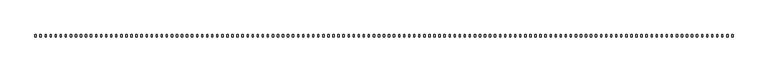
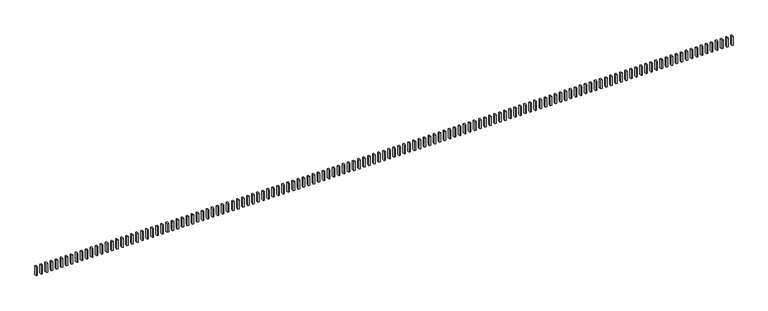
"""IFC4 building model written with IfcOpenShell, lengths in millimetres: railing geometry."""

from ifc_helpers import new_model, si_unit, frame, origin, place, context, project, spatial, polyline, outline, extrude, source, transform, mapped, element, save


def railing_47bb21a4(model_context):
    return source(origin(), model_context, "Body", "SweptSolid", [
        extrude(outline(polyline([(13406.8631266, -7586.7880996), (13436.8631266, -7586.7880996), (13436.8631266, -7639.1640045), (13406.8631266, -7639.1640045), (13406.8631266, -7586.7880996)])), frame((0.0, 0.0, 3043.3946717), z_axis=(0.0, 0.0, 1.0), x_axis=(1.0, 0.0, 0.0)), (0.0, 0.0, 1.0), 223.0),
        extrude(outline(polyline([(13286.8631266, -7586.7880996), (13316.8631266, -7586.7880996), (13316.8631266, -7639.1640045), (13286.8631266, -7639.1640045), (13286.8631266, -7586.7880996)])), frame((0.0, 0.0, 3043.3946717), z_axis=(0.0, 0.0, 1.0), x_axis=(1.0, 0.0, 0.0)), (0.0, 0.0, 1.0), 223.0),
        extrude(outline(polyline([(13166.8631266, -7586.7880996), (13196.8631266, -7586.7880996), (13196.8631266, -7639.1640045), (13166.8631266, -7639.1640045), (13166.8631266, -7586.7880996)])), frame((0.0, 0.0, 3043.3946717), z_axis=(0.0, 0.0, 1.0), x_axis=(1.0, 0.0, 0.0)), (0.0, 0.0, 1.0), 223.0),
        extrude(outline(polyline([(13046.8631266, -7586.7880996), (13076.8631266, -7586.7880996), (13076.8631266, -7639.1640045), (13046.8631266, -7639.1640045), (13046.8631266, -7586.7880996)])), frame((0.0, 0.0, 3043.3946717), z_axis=(0.0, 0.0, 1.0), x_axis=(1.0, 0.0, 0.0)), (0.0, 0.0, 1.0), 223.0),
        extrude(outline(polyline([(12926.8631266, -7586.7880996), (12956.8631266, -7586.7880996), (12956.8631266, -7639.1640045), (12926.8631266, -7639.1640045), (12926.8631266, -7586.7880996)])), frame((0.0, 0.0, 3043.3946717), z_axis=(0.0, 0.0, 1.0), x_axis=(1.0, 0.0, 0.0)), (0.0, 0.0, 1.0), 223.0),
        extrude(outline(polyline([(12806.8631266, -7586.7880996), (12836.8631266, -7586.7880996), (12836.8631266, -7639.1640045), (12806.8631266, -7639.1640045), (12806.8631266, -7586.7880996)])), frame((0.0, 0.0, 3043.3946717), z_axis=(0.0, 0.0, 1.0), x_axis=(1.0, 0.0, 0.0)), (0.0, 0.0, 1.0), 223.0),
        extrude(outline(polyline([(12686.8631266, -7586.7880996), (12716.8631266, -7586.7880996), (12716.8631266, -7639.1640045), (12686.8631266, -7639.1640045), (12686.8631266, -7586.7880996)])), frame((0.0, 0.0, 3043.3946717), z_axis=(0.0, 0.0, 1.0), x_axis=(1.0, 0.0, 0.0)), (0.0, 0.0, 1.0), 223.0),
        extrude(outline(polyline([(12566.8631266, -7586.7880996), (12596.8631266, -7586.7880996), (12596.8631266, -7639.1640045), (12566.8631266, -7639.1640045), (12566.8631266, -7586.7880996)])), frame((0.0, 0.0, 3043.3946717), z_axis=(0.0, 0.0, 1.0), x_axis=(1.0, 0.0, 0.0)), (0.0, 0.0, 1.0), 223.0),
        extrude(outline(polyline([(12446.8631266, -7586.7880996), (12476.8631266, -7586.7880996), (12476.8631266, -7639.1640045), (12446.8631266, -7639.1640045), (12446.8631266, -7586.7880996)])), frame((0.0, 0.0, 3043.3946717), z_axis=(0.0, 0.0, 1.0), x_axis=(1.0, 0.0, 0.0)), (0.0, 0.0, 1.0), 223.0),
        extrude(outline(polyline([(12326.8631266, -7586.7880996), (12356.8631266, -7586.7880996), (12356.8631266, -7639.1640045), (12326.8631266, -7639.1640045), (12326.8631266, -7586.7880996)])), frame((0.0, 0.0, 3043.3946717), z_axis=(0.0, 0.0, 1.0), x_axis=(1.0, 0.0, 0.0)), (0.0, 0.0, 1.0), 223.0),
        extrude(outline(polyline([(12206.8631266, -7586.7880996), (12236.8631266, -7586.7880996), (12236.8631266, -7639.1640045), (12206.8631266, -7639.1640045), (12206.8631266, -7586.7880996)])), frame((0.0, 0.0, 3043.3946717), z_axis=(0.0, 0.0, 1.0), x_axis=(1.0, 0.0, 0.0)), (0.0, 0.0, 1.0), 223.0),
        extrude(outline(polyline([(12086.8631266, -7586.7880996), (12116.8631266, -7586.7880996), (12116.8631266, -7639.1640045), (12086.8631266, -7639.1640045), (12086.8631266, -7586.7880996)])), frame((0.0, 0.0, 3043.3946717), z_axis=(0.0, 0.0, 1.0), x_axis=(1.0, 0.0, 0.0)), (0.0, 0.0, 1.0), 223.0),
        extrude(outline(polyline([(11966.8631266, -7586.7880996), (11996.8631266, -7586.7880996), (11996.8631266, -7639.1640045), (11966.8631266, -7639.1640045), (11966.8631266, -7586.7880996)])), frame((0.0, 0.0, 3043.3946717), z_axis=(0.0, 0.0, 1.0), x_axis=(1.0, 0.0, 0.0)), (0.0, 0.0, 1.0), 223.0),
        extrude(outline(polyline([(11846.8631266, -7586.7880996), (11876.8631266, -7586.7880996), (11876.8631266, -7639.1640045), (11846.8631266, -7639.1640045), (11846.8631266, -7586.7880996)])), frame((0.0, 0.0, 3043.3946717), z_axis=(0.0, 0.0, 1.0), x_axis=(1.0, 0.0, 0.0)), (0.0, 0.0, 1.0), 223.0),
        extrude(outline(polyline([(11726.8631266, -7586.7880996), (11756.8631266, -7586.7880996), (11756.8631266, -7639.1640045), (11726.8631266, -7639.1640045), (11726.8631266, -7586.7880996)])), frame((0.0, 0.0, 3043.3946717), z_axis=(0.0, 0.0, 1.0), x_axis=(1.0, 0.0, 0.0)), (0.0, 0.0, 1.0), 223.0),
        extrude(outline(polyline([(11606.8631266, -7586.7880996), (11636.8631266, -7586.7880996), (11636.8631266, -7639.1640045), (11606.8631266, -7639.1640045), (11606.8631266, -7586.7880996)])), frame((0.0, 0.0, 3043.3946717), z_axis=(0.0, 0.0, 1.0), x_axis=(1.0, 0.0, 0.0)), (0.0, 0.0, 1.0), 223.0),
        extrude(outline(polyline([(11486.8631266, -7586.7880996), (11516.8631266, -7586.7880996), (11516.8631266, -7639.1640045), (11486.8631266, -7639.1640045), (11486.8631266, -7586.7880996)])), frame((0.0, 0.0, 3043.3946717), z_axis=(0.0, 0.0, 1.0), x_axis=(1.0, 0.0, 0.0)), (0.0, 0.0, 1.0), 223.0),
        extrude(outline(polyline([(11366.8631266, -7586.7880996), (11396.8631266, -7586.7880996), (11396.8631266, -7639.1640045), (11366.8631266, -7639.1640045), (11366.8631266, -7586.7880996)])), frame((0.0, 0.0, 3043.3946717), z_axis=(0.0, 0.0, 1.0), x_axis=(1.0, 0.0, 0.0)), (0.0, 0.0, 1.0), 223.0),
        extrude(outline(polyline([(11246.8631266, -7586.7880996), (11276.8631266, -7586.7880996), (11276.8631266, -7639.1640045), (11246.8631266, -7639.1640045), (11246.8631266, -7586.7880996)])), frame((0.0, 0.0, 3043.3946717), z_axis=(0.0, 0.0, 1.0), x_axis=(1.0, 0.0, 0.0)), (0.0, 0.0, 1.0), 223.0),
        extrude(outline(polyline([(11126.8631266, -7586.7880996), (11156.8631266, -7586.7880996), (11156.8631266, -7639.1640045), (11126.8631266, -7639.1640045), (11126.8631266, -7586.7880996)])), frame((0.0, 0.0, 3043.3946717), z_axis=(0.0, 0.0, 1.0), x_axis=(1.0, 0.0, 0.0)), (0.0, 0.0, 1.0), 223.0),
        extrude(outline(polyline([(11006.8631266, -7586.7880996), (11036.8631266, -7586.7880996), (11036.8631266, -7639.1640045), (11006.8631266, -7639.1640045), (11006.8631266, -7586.7880996)])), frame((0.0, 0.0, 3043.3946717), z_axis=(0.0, 0.0, 1.0), x_axis=(1.0, 0.0, 0.0)), (0.0, 0.0, 1.0), 223.0),
        extrude(outline(polyline([(10886.8631266, -7586.7880996), (10916.8631266, -7586.7880996), (10916.8631266, -7639.1640045), (10886.8631266, -7639.1640045), (10886.8631266, -7586.7880996)])), frame((0.0, 0.0, 3043.3946717), z_axis=(0.0, 0.0, 1.0), x_axis=(1.0, 0.0, 0.0)), (0.0, 0.0, 1.0), 223.0),
        extrude(outline(polyline([(10766.8631266, -7586.7880996), (10796.8631266, -7586.7880996), (10796.8631266, -7639.1640045), (10766.8631266, -7639.1640045), (10766.8631266, -7586.7880996)])), frame((0.0, 0.0, 3043.3946717), z_axis=(0.0, 0.0, 1.0), x_axis=(1.0, 0.0, 0.0)), (0.0, 0.0, 1.0), 223.0),
        extrude(outline(polyline([(10646.8631266, -7586.7880996), (10676.8631266, -7586.7880996), (10676.8631266, -7639.1640045), (10646.8631266, -7639.1640045), (10646.8631266, -7586.7880996)])), frame((0.0, 0.0, 3043.3946717), z_axis=(0.0, 0.0, 1.0), x_axis=(1.0, 0.0, 0.0)), (0.0, 0.0, 1.0), 223.0),
        extrude(outline(polyline([(10526.8631266, -7586.7880996), (10556.8631266, -7586.7880996), (10556.8631266, -7639.1640045), (10526.8631266, -7639.1640045), (10526.8631266, -7586.7880996)])), frame((0.0, 0.0, 3043.3946717), z_axis=(0.0, 0.0, 1.0), x_axis=(1.0, 0.0, 0.0)), (0.0, 0.0, 1.0), 223.0),
        extrude(outline(polyline([(10406.8631266, -7586.7880996), (10436.8631266, -7586.7880996), (10436.8631266, -7639.1640045), (10406.8631266, -7639.1640045), (10406.8631266, -7586.7880996)])), frame((0.0, 0.0, 3043.3946717), z_axis=(0.0, 0.0, 1.0), x_axis=(1.0, 0.0, 0.0)), (0.0, 0.0, 1.0), 223.0),
        extrude(outline(polyline([(10286.8631266, -7586.7880996), (10316.8631266, -7586.7880996), (10316.8631266, -7639.1640045), (10286.8631266, -7639.1640045), (10286.8631266, -7586.7880996)])), frame((0.0, 0.0, 3043.3946717), z_axis=(0.0, 0.0, 1.0), x_axis=(1.0, 0.0, 0.0)), (0.0, 0.0, 1.0), 223.0),
        extrude(outline(polyline([(10166.8631266, -7586.7880996), (10196.8631266, -7586.7880996), (10196.8631266, -7639.1640045), (10166.8631266, -7639.1640045), (10166.8631266, -7586.7880996)])), frame((0.0, 0.0, 3043.3946717), z_axis=(0.0, 0.0, 1.0), x_axis=(1.0, 0.0, 0.0)), (0.0, 0.0, 1.0), 223.0),
        extrude(outline(polyline([(10046.8631266, -7586.7880996), (10076.8631266, -7586.7880996), (10076.8631266, -7639.1640045), (10046.8631266, -7639.1640045), (10046.8631266, -7586.7880996)])), frame((0.0, 0.0, 3043.3946717), z_axis=(0.0, 0.0, 1.0), x_axis=(1.0, 0.0, 0.0)), (0.0, 0.0, 1.0), 223.0),
        extrude(outline(polyline([(9926.8631266, -7586.7880996), (9956.8631266, -7586.7880996), (9956.8631266, -7639.1640045), (9926.8631266, -7639.1640045), (9926.8631266, -7586.7880996)])), frame((0.0, 0.0, 3043.3946717), z_axis=(0.0, 0.0, 1.0), x_axis=(1.0, 0.0, 0.0)), (0.0, 0.0, 1.0), 223.0),
        extrude(outline(polyline([(9806.8631266, -7586.7880996), (9836.8631266, -7586.7880996), (9836.8631266, -7639.1640045), (9806.8631266, -7639.1640045), (9806.8631266, -7586.7880996)])), frame((0.0, 0.0, 3043.3946717), z_axis=(0.0, 0.0, 1.0), x_axis=(1.0, 0.0, 0.0)), (0.0, 0.0, 1.0), 223.0),
        extrude(outline(polyline([(9686.8631266, -7586.7880996), (9716.8631266, -7586.7880996), (9716.8631266, -7639.1640045), (9686.8631266, -7639.1640045), (9686.8631266, -7586.7880996)])), frame((0.0, 0.0, 3043.3946717), z_axis=(0.0, 0.0, 1.0), x_axis=(1.0, 0.0, 0.0)), (0.0, 0.0, 1.0), 223.0),
        extrude(outline(polyline([(9566.8631266, -7586.7880996), (9596.8631266, -7586.7880996), (9596.8631266, -7639.1640045), (9566.8631266, -7639.1640045), (9566.8631266, -7586.7880996)])), frame((0.0, 0.0, 3043.3946717), z_axis=(0.0, 0.0, 1.0), x_axis=(1.0, 0.0, 0.0)), (0.0, 0.0, 1.0), 223.0),
        extrude(outline(polyline([(9446.8631266, -7586.7880996), (9476.8631266, -7586.7880996), (9476.8631266, -7639.1640045), (9446.8631266, -7639.1640045), (9446.8631266, -7586.7880996)])), frame((0.0, 0.0, 3043.3946717), z_axis=(0.0, 0.0, 1.0), x_axis=(1.0, 0.0, 0.0)), (0.0, 0.0, 1.0), 223.0),
        extrude(outline(polyline([(9326.8631266, -7586.7880996), (9356.8631266, -7586.7880996), (9356.8631266, -7639.1640045), (9326.8631266, -7639.1640045), (9326.8631266, -7586.7880996)])), frame((0.0, 0.0, 3043.3946717), z_axis=(0.0, 0.0, 1.0), x_axis=(1.0, 0.0, 0.0)), (0.0, 0.0, 1.0), 223.0),
        extrude(outline(polyline([(9206.8631266, -7586.7880996), (9236.8631266, -7586.7880996), (9236.8631266, -7639.1640045), (9206.8631266, -7639.1640045), (9206.8631266, -7586.7880996)])), frame((0.0, 0.0, 3043.3946717), z_axis=(0.0, 0.0, 1.0), x_axis=(1.0, 0.0, 0.0)), (0.0, 0.0, 1.0), 223.0),
        extrude(outline(polyline([(9086.8631266, -7586.7880996), (9116.8631266, -7586.7880996), (9116.8631266, -7639.1640045), (9086.8631266, -7639.1640045), (9086.8631266, -7586.7880996)])), frame((0.0, 0.0, 3043.3946717), z_axis=(0.0, 0.0, 1.0), x_axis=(1.0, 0.0, 0.0)), (0.0, 0.0, 1.0), 223.0),
        extrude(outline(polyline([(8966.8631266, -7586.7880996), (8996.8631266, -7586.7880996), (8996.8631266, -7639.1640045), (8966.8631266, -7639.1640045), (8966.8631266, -7586.7880996)])), frame((0.0, 0.0, 3043.3946717), z_axis=(0.0, 0.0, 1.0), x_axis=(1.0, 0.0, 0.0)), (0.0, 0.0, 1.0), 223.0),
        extrude(outline(polyline([(8846.8631266, -7586.7880996), (8876.8631266, -7586.7880996), (8876.8631266, -7639.1640045), (8846.8631266, -7639.1640045), (8846.8631266, -7586.7880996)])), frame((0.0, 0.0, 3043.3946717), z_axis=(0.0, 0.0, 1.0), x_axis=(1.0, 0.0, 0.0)), (0.0, 0.0, 1.0), 223.0),
        extrude(outline(polyline([(8726.8631266, -7586.7880996), (8756.8631266, -7586.7880996), (8756.8631266, -7639.1640045), (8726.8631266, -7639.1640045), (8726.8631266, -7586.7880996)])), frame((0.0, 0.0, 3043.3946717), z_axis=(0.0, 0.0, 1.0), x_axis=(1.0, 0.0, 0.0)), (0.0, 0.0, 1.0), 223.0),
        extrude(outline(polyline([(8606.8631266, -7586.7880996), (8636.8631266, -7586.7880996), (8636.8631266, -7639.1640045), (8606.8631266, -7639.1640045), (8606.8631266, -7586.7880996)])), frame((0.0, 0.0, 3043.3946717), z_axis=(0.0, 0.0, 1.0), x_axis=(1.0, 0.0, 0.0)), (0.0, 0.0, 1.0), 223.0),
        extrude(outline(polyline([(8486.8631266, -7586.7880996), (8516.8631266, -7586.7880996), (8516.8631266, -7639.1640045), (8486.8631266, -7639.1640045), (8486.8631266, -7586.7880996)])), frame((0.0, 0.0, 3043.3946717), z_axis=(0.0, 0.0, 1.0), x_axis=(1.0, 0.0, 0.0)), (0.0, 0.0, 1.0), 223.0),
        extrude(outline(polyline([(8366.8631266, -7586.7880996), (8396.8631266, -7586.7880996), (8396.8631266, -7639.1640045), (8366.8631266, -7639.1640045), (8366.8631266, -7586.7880996)])), frame((0.0, 0.0, 3043.3946717), z_axis=(0.0, 0.0, 1.0), x_axis=(1.0, 0.0, 0.0)), (0.0, 0.0, 1.0), 223.0),
        extrude(outline(polyline([(8246.8631266, -7586.7880996), (8276.8631266, -7586.7880996), (8276.8631266, -7639.1640045), (8246.8631266, -7639.1640045), (8246.8631266, -7586.7880996)])), frame((0.0, 0.0, 3043.3946717), z_axis=(0.0, 0.0, 1.0), x_axis=(1.0, 0.0, 0.0)), (0.0, 0.0, 1.0), 223.0),
        extrude(outline(polyline([(8126.8631266, -7586.7880996), (8156.8631266, -7586.7880996), (8156.8631266, -7639.1640045), (8126.8631266, -7639.1640045), (8126.8631266, -7586.7880996)])), frame((0.0, 0.0, 3043.3946717), z_axis=(0.0, 0.0, 1.0), x_axis=(1.0, 0.0, 0.0)), (0.0, 0.0, 1.0), 223.0),
        extrude(outline(polyline([(8006.8631266, -7586.7880996), (8036.8631266, -7586.7880996), (8036.8631266, -7639.1640045), (8006.8631266, -7639.1640045), (8006.8631266, -7586.7880996)])), frame((0.0, 0.0, 3043.3946717), z_axis=(0.0, 0.0, 1.0), x_axis=(1.0, 0.0, 0.0)), (0.0, 0.0, 1.0), 223.0),
        extrude(outline(polyline([(7886.8631266, -7586.7880996), (7916.8631266, -7586.7880996), (7916.8631266, -7639.1640045), (7886.8631266, -7639.1640045), (7886.8631266, -7586.7880996)])), frame((0.0, 0.0, 3043.3946717), z_axis=(0.0, 0.0, 1.0), x_axis=(1.0, 0.0, 0.0)), (0.0, 0.0, 1.0), 223.0),
        extrude(outline(polyline([(7766.8631266, -7586.7880996), (7796.8631266, -7586.7880996), (7796.8631266, -7639.1640045), (7766.8631266, -7639.1640045), (7766.8631266, -7586.7880996)])), frame((0.0, 0.0, 3043.3946717), z_axis=(0.0, 0.0, 1.0), x_axis=(1.0, 0.0, 0.0)), (0.0, 0.0, 1.0), 223.0),
        extrude(outline(polyline([(7646.8631266, -7586.7880996), (7676.8631266, -7586.7880996), (7676.8631266, -7639.1640045), (7646.8631266, -7639.1640045), (7646.8631266, -7586.7880996)])), frame((0.0, 0.0, 3043.3946717), z_axis=(0.0, 0.0, 1.0), x_axis=(1.0, 0.0, 0.0)), (0.0, 0.0, 1.0), 223.0),
        extrude(outline(polyline([(7526.8631266, -7586.7880996), (7556.8631266, -7586.7880996), (7556.8631266, -7639.1640045), (7526.8631266, -7639.1640045), (7526.8631266, -7586.7880996)])), frame((0.0, 0.0, 3043.3946717), z_axis=(0.0, 0.0, 1.0), x_axis=(1.0, 0.0, 0.0)), (0.0, 0.0, 1.0), 223.0),
        extrude(outline(polyline([(7406.8631266, -7586.7880996), (7436.8631266, -7586.7880996), (7436.8631266, -7639.1640045), (7406.8631266, -7639.1640045), (7406.8631266, -7586.7880996)])), frame((0.0, 0.0, 3043.3946717), z_axis=(0.0, 0.0, 1.0), x_axis=(1.0, 0.0, 0.0)), (0.0, 0.0, 1.0), 223.0),
        extrude(outline(polyline([(7286.8631266, -7586.7880996), (7316.8631266, -7586.7880996), (7316.8631266, -7639.1640045), (7286.8631266, -7639.1640045), (7286.8631266, -7586.7880996)])), frame((0.0, 0.0, 3043.3946717), z_axis=(0.0, 0.0, 1.0), x_axis=(1.0, 0.0, 0.0)), (0.0, 0.0, 1.0), 223.0),
        extrude(outline(polyline([(7166.8631266, -7586.7880996), (7196.8631266, -7586.7880996), (7196.8631266, -7639.1640045), (7166.8631266, -7639.1640045), (7166.8631266, -7586.7880996)])), frame((0.0, 0.0, 3043.3946717), z_axis=(0.0, 0.0, 1.0), x_axis=(1.0, 0.0, 0.0)), (0.0, 0.0, 1.0), 223.0),
        extrude(outline(polyline([(7046.8631266, -7586.7880996), (7076.8631266, -7586.7880996), (7076.8631266, -7639.1640045), (7046.8631266, -7639.1640045), (7046.8631266, -7586.7880996)])), frame((0.0, 0.0, 3043.3946717), z_axis=(0.0, 0.0, 1.0), x_axis=(1.0, 0.0, 0.0)), (0.0, 0.0, 1.0), 223.0),
        extrude(outline(polyline([(6926.8631266, -7586.7880996), (6956.8631266, -7586.7880996), (6956.8631266, -7639.1640045), (6926.8631266, -7639.1640045), (6926.8631266, -7586.7880996)])), frame((0.0, 0.0, 3043.3946717), z_axis=(0.0, 0.0, 1.0), x_axis=(1.0, 0.0, 0.0)), (0.0, 0.0, 1.0), 223.0),
        extrude(outline(polyline([(6806.8631266, -7586.7880996), (6836.8631266, -7586.7880996), (6836.8631266, -7639.1640045), (6806.8631266, -7639.1640045), (6806.8631266, -7586.7880996)])), frame((0.0, 0.0, 3043.3946717), z_axis=(0.0, 0.0, 1.0), x_axis=(1.0, 0.0, 0.0)), (0.0, 0.0, 1.0), 223.0),
        extrude(outline(polyline([(6686.8631266, -7586.7880996), (6716.8631266, -7586.7880996), (6716.8631266, -7639.1640045), (6686.8631266, -7639.1640045), (6686.8631266, -7586.7880996)])), frame((0.0, 0.0, 3043.3946717), z_axis=(0.0, 0.0, 1.0), x_axis=(1.0, 0.0, 0.0)), (0.0, 0.0, 1.0), 223.0),
        extrude(outline(polyline([(6566.8631266, -7586.7880996), (6596.8631266, -7586.7880996), (6596.8631266, -7639.1640045), (6566.8631266, -7639.1640045), (6566.8631266, -7586.7880996)])), frame((0.0, 0.0, 3043.3946717), z_axis=(0.0, 0.0, 1.0), x_axis=(1.0, 0.0, 0.0)), (0.0, 0.0, 1.0), 223.0),
        extrude(outline(polyline([(6446.8631266, -7586.7880996), (6476.8631266, -7586.7880996), (6476.8631266, -7639.1640045), (6446.8631266, -7639.1640045), (6446.8631266, -7586.7880996)])), frame((0.0, 0.0, 3043.3946717), z_axis=(0.0, 0.0, 1.0), x_axis=(1.0, 0.0, 0.0)), (0.0, 0.0, 1.0), 223.0),
        extrude(outline(polyline([(6326.8631266, -7586.7880996), (6356.8631266, -7586.7880996), (6356.8631266, -7639.1640045), (6326.8631266, -7639.1640045), (6326.8631266, -7586.7880996)])), frame((0.0, 0.0, 3043.3946717), z_axis=(0.0, 0.0, 1.0), x_axis=(1.0, 0.0, 0.0)), (0.0, 0.0, 1.0), 223.0),
        extrude(outline(polyline([(6206.8631266, -7586.7880996), (6236.8631266, -7586.7880996), (6236.8631266, -7639.1640045), (6206.8631266, -7639.1640045), (6206.8631266, -7586.7880996)])), frame((0.0, 0.0, 3043.3946717), z_axis=(0.0, 0.0, 1.0), x_axis=(1.0, 0.0, 0.0)), (0.0, 0.0, 1.0), 223.0),
        extrude(outline(polyline([(6086.8631266, -7586.7880996), (6116.8631266, -7586.7880996), (6116.8631266, -7639.1640045), (6086.8631266, -7639.1640045), (6086.8631266, -7586.7880996)])), frame((0.0, 0.0, 3043.3946717), z_axis=(0.0, 0.0, 1.0), x_axis=(1.0, 0.0, 0.0)), (0.0, 0.0, 1.0), 223.0),
        extrude(outline(polyline([(5966.8631266, -7586.7880996), (5996.8631266, -7586.7880996), (5996.8631266, -7639.1640045), (5966.8631266, -7639.1640045), (5966.8631266, -7586.7880996)])), frame((0.0, 0.0, 3043.3946717), z_axis=(0.0, 0.0, 1.0), x_axis=(1.0, 0.0, 0.0)), (0.0, 0.0, 1.0), 223.0),
        extrude(outline(polyline([(5846.8631266, -7586.7880996), (5876.8631266, -7586.7880996), (5876.8631266, -7639.1640045), (5846.8631266, -7639.1640045), (5846.8631266, -7586.7880996)])), frame((0.0, 0.0, 3043.3946717), z_axis=(0.0, 0.0, 1.0), x_axis=(1.0, 0.0, 0.0)), (0.0, 0.0, 1.0), 223.0),
        extrude(outline(polyline([(5726.8631266, -7586.7880996), (5756.8631266, -7586.7880996), (5756.8631266, -7639.1640045), (5726.8631266, -7639.1640045), (5726.8631266, -7586.7880996)])), frame((0.0, 0.0, 3043.3946717), z_axis=(0.0, 0.0, 1.0), x_axis=(1.0, 0.0, 0.0)), (0.0, 0.0, 1.0), 223.0),
        extrude(outline(polyline([(5606.8631266, -7586.7880996), (5636.8631266, -7586.7880996), (5636.8631266, -7639.1640045), (5606.8631266, -7639.1640045), (5606.8631266, -7586.7880996)])), frame((0.0, 0.0, 3043.3946717), z_axis=(0.0, 0.0, 1.0), x_axis=(1.0, 0.0, 0.0)), (0.0, 0.0, 1.0), 223.0),
        extrude(outline(polyline([(5486.8631266, -7586.7880996), (5516.8631266, -7586.7880996), (5516.8631266, -7639.1640045), (5486.8631266, -7639.1640045), (5486.8631266, -7586.7880996)])), frame((0.0, 0.0, 3043.3946717), z_axis=(0.0, 0.0, 1.0), x_axis=(1.0, 0.0, 0.0)), (0.0, 0.0, 1.0), 223.0),
        extrude(outline(polyline([(5366.8631266, -7586.7880996), (5396.8631266, -7586.7880996), (5396.8631266, -7639.1640045), (5366.8631266, -7639.1640045), (5366.8631266, -7586.7880996)])), frame((0.0, 0.0, 3043.3946717), z_axis=(0.0, 0.0, 1.0), x_axis=(1.0, 0.0, 0.0)), (0.0, 0.0, 1.0), 223.0),
        extrude(outline(polyline([(5246.8631266, -7586.7880996), (5276.8631266, -7586.7880996), (5276.8631266, -7639.1640045), (5246.8631266, -7639.1640045), (5246.8631266, -7586.7880996)])), frame((0.0, 0.0, 3043.3946717), z_axis=(0.0, 0.0, 1.0), x_axis=(1.0, 0.0, 0.0)), (0.0, 0.0, 1.0), 223.0),
        extrude(outline(polyline([(5126.8631266, -7586.7880996), (5156.8631266, -7586.7880996), (5156.8631266, -7639.1640045), (5126.8631266, -7639.1640045), (5126.8631266, -7586.7880996)])), frame((0.0, 0.0, 3043.3946717), z_axis=(0.0, 0.0, 1.0), x_axis=(1.0, 0.0, 0.0)), (0.0, 0.0, 1.0), 223.0),
        extrude(outline(polyline([(5006.8631266, -7586.7880996), (5036.8631266, -7586.7880996), (5036.8631266, -7639.1640045), (5006.8631266, -7639.1640045), (5006.8631266, -7586.7880996)])), frame((0.0, 0.0, 3043.3946717), z_axis=(0.0, 0.0, 1.0), x_axis=(1.0, 0.0, 0.0)), (0.0, 0.0, 1.0), 223.0),
        extrude(outline(polyline([(4886.8631266, -7586.7880996), (4916.8631266, -7586.7880996), (4916.8631266, -7639.1640045), (4886.8631266, -7639.1640045), (4886.8631266, -7586.7880996)])), frame((0.0, 0.0, 3043.3946717), z_axis=(0.0, 0.0, 1.0), x_axis=(1.0, 0.0, 0.0)), (0.0, 0.0, 1.0), 223.0),
        extrude(outline(polyline([(4766.8631266, -7586.7880996), (4796.8631266, -7586.7880996), (4796.8631266, -7639.1640045), (4766.8631266, -7639.1640045), (4766.8631266, -7586.7880996)])), frame((0.0, 0.0, 3043.3946717), z_axis=(0.0, 0.0, 1.0), x_axis=(1.0, 0.0, 0.0)), (0.0, 0.0, 1.0), 223.0),
        extrude(outline(polyline([(4646.8631266, -7586.7880996), (4676.8631266, -7586.7880996), (4676.8631266, -7639.1640045), (4646.8631266, -7639.1640045), (4646.8631266, -7586.7880996)])), frame((0.0, 0.0, 3043.3946717), z_axis=(0.0, 0.0, 1.0), x_axis=(1.0, 0.0, 0.0)), (0.0, 0.0, 1.0), 223.0),
        extrude(outline(polyline([(4526.8631266, -7586.7880996), (4556.8631266, -7586.7880996), (4556.8631266, -7639.1640045), (4526.8631266, -7639.1640045), (4526.8631266, -7586.7880996)])), frame((0.0, 0.0, 3043.3946717), z_axis=(0.0, 0.0, 1.0), x_axis=(1.0, 0.0, 0.0)), (0.0, 0.0, 1.0), 223.0),
        extrude(outline(polyline([(4406.8631266, -7586.7880996), (4436.8631266, -7586.7880996), (4436.8631266, -7639.1640045), (4406.8631266, -7639.1640045), (4406.8631266, -7586.7880996)])), frame((0.0, 0.0, 3043.3946717), z_axis=(0.0, 0.0, 1.0), x_axis=(1.0, 0.0, 0.0)), (0.0, 0.0, 1.0), 223.0),
        extrude(outline(polyline([(4286.8631266, -7586.7880996), (4316.8631266, -7586.7880996), (4316.8631266, -7639.1640045), (4286.8631266, -7639.1640045), (4286.8631266, -7586.7880996)])), frame((0.0, 0.0, 3043.3946717), z_axis=(0.0, 0.0, 1.0), x_axis=(1.0, 0.0, 0.0)), (0.0, 0.0, 1.0), 223.0),
        extrude(outline(polyline([(4166.8631266, -7586.7880996), (4196.8631266, -7586.7880996), (4196.8631266, -7639.1640045), (4166.8631266, -7639.1640045), (4166.8631266, -7586.7880996)])), frame((0.0, 0.0, 3043.3946717), z_axis=(0.0, 0.0, 1.0), x_axis=(1.0, 0.0, 0.0)), (0.0, 0.0, 1.0), 223.0),
        extrude(outline(polyline([(4046.8631266, -7586.7880996), (4076.8631266, -7586.7880996), (4076.8631266, -7639.1640045), (4046.8631266, -7639.1640045), (4046.8631266, -7586.7880996)])), frame((0.0, 0.0, 3043.3946717), z_axis=(0.0, 0.0, 1.0), x_axis=(1.0, 0.0, 0.0)), (0.0, 0.0, 1.0), 223.0),
        extrude(outline(polyline([(3926.8631266, -7586.7880996), (3956.8631266, -7586.7880996), (3956.8631266, -7639.1640045), (3926.8631266, -7639.1640045), (3926.8631266, -7586.7880996)])), frame((0.0, 0.0, 3043.3946717), z_axis=(0.0, 0.0, 1.0), x_axis=(1.0, 0.0, 0.0)), (0.0, 0.0, 1.0), 223.0),
        extrude(outline(polyline([(3806.8631266, -7586.7880996), (3836.8631266, -7586.7880996), (3836.8631266, -7639.1640045), (3806.8631266, -7639.1640045), (3806.8631266, -7586.7880996)])), frame((0.0, 0.0, 3043.3946717), z_axis=(0.0, 0.0, 1.0), x_axis=(1.0, 0.0, 0.0)), (0.0, 0.0, 1.0), 223.0),
        extrude(outline(polyline([(3686.8631266, -7586.7880996), (3716.8631266, -7586.7880996), (3716.8631266, -7639.1640045), (3686.8631266, -7639.1640045), (3686.8631266, -7586.7880996)])), frame((0.0, 0.0, 3043.3946717), z_axis=(0.0, 0.0, 1.0), x_axis=(1.0, 0.0, 0.0)), (0.0, 0.0, 1.0), 223.0),
        extrude(outline(polyline([(3566.8631266, -7586.7880996), (3596.8631266, -7586.7880996), (3596.8631266, -7639.1640045), (3566.8631266, -7639.1640045), (3566.8631266, -7586.7880996)])), frame((0.0, 0.0, 3043.3946717), z_axis=(0.0, 0.0, 1.0), x_axis=(1.0, 0.0, 0.0)), (0.0, 0.0, 1.0), 223.0),
        extrude(outline(polyline([(3446.8631266, -7586.7880996), (3476.8631266, -7586.7880996), (3476.8631266, -7639.1640045), (3446.8631266, -7639.1640045), (3446.8631266, -7586.7880996)])), frame((0.0, 0.0, 3043.3946717), z_axis=(0.0, 0.0, 1.0), x_axis=(1.0, 0.0, 0.0)), (0.0, 0.0, 1.0), 223.0),
        extrude(outline(polyline([(3326.8631266, -7586.7880996), (3356.8631266, -7586.7880996), (3356.8631266, -7639.1640045), (3326.8631266, -7639.1640045), (3326.8631266, -7586.7880996)])), frame((0.0, 0.0, 3043.3946717), z_axis=(0.0, 0.0, 1.0), x_axis=(1.0, 0.0, 0.0)), (0.0, 0.0, 1.0), 223.0),
        extrude(outline(polyline([(3206.8631266, -7586.7880996), (3236.8631266, -7586.7880996), (3236.8631266, -7639.1640045), (3206.8631266, -7639.1640045), (3206.8631266, -7586.7880996)])), frame((0.0, 0.0, 3043.3946717), z_axis=(0.0, 0.0, 1.0), x_axis=(1.0, 0.0, 0.0)), (0.0, 0.0, 1.0), 223.0),
        extrude(outline(polyline([(3086.8631266, -7586.7880996), (3116.8631266, -7586.7880996), (3116.8631266, -7639.1640045), (3086.8631266, -7639.1640045), (3086.8631266, -7586.7880996)])), frame((0.0, 0.0, 3043.3946717), z_axis=(0.0, 0.0, 1.0), x_axis=(1.0, 0.0, 0.0)), (0.0, 0.0, 1.0), 223.0),
        extrude(outline(polyline([(2966.8631266, -7586.7880996), (2996.8631266, -7586.7880996), (2996.8631266, -7639.1640045), (2966.8631266, -7639.1640045), (2966.8631266, -7586.7880996)])), frame((0.0, 0.0, 3043.3946717), z_axis=(0.0, 0.0, 1.0), x_axis=(1.0, 0.0, 0.0)), (0.0, 0.0, 1.0), 223.0),
        extrude(outline(polyline([(2846.8631266, -7586.7880996), (2876.8631266, -7586.7880996), (2876.8631266, -7639.1640045), (2846.8631266, -7639.1640045), (2846.8631266, -7586.7880996)])), frame((0.0, 0.0, 3043.3946717), z_axis=(0.0, 0.0, 1.0), x_axis=(1.0, 0.0, 0.0)), (0.0, 0.0, 1.0), 223.0),
        extrude(outline(polyline([(2726.8631266, -7586.7880996), (2756.8631266, -7586.7880996), (2756.8631266, -7639.1640045), (2726.8631266, -7639.1640045), (2726.8631266, -7586.7880996)])), frame((0.0, 0.0, 3043.3946717), z_axis=(0.0, 0.0, 1.0), x_axis=(1.0, 0.0, 0.0)), (0.0, 0.0, 1.0), 223.0),
        extrude(outline(polyline([(2606.8631266, -7586.7880996), (2636.8631266, -7586.7880996), (2636.8631266, -7639.1640045), (2606.8631266, -7639.1640045), (2606.8631266, -7586.7880996)])), frame((0.0, 0.0, 3043.3946717), z_axis=(0.0, 0.0, 1.0), x_axis=(1.0, 0.0, 0.0)), (0.0, 0.0, 1.0), 223.0),
        extrude(outline(polyline([(2486.8631266, -7586.7880996), (2516.8631266, -7586.7880996), (2516.8631266, -7639.1640045), (2486.8631266, -7639.1640045), (2486.8631266, -7586.7880996)])), frame((0.0, 0.0, 3043.3946717), z_axis=(0.0, 0.0, 1.0), x_axis=(1.0, 0.0, 0.0)), (0.0, 0.0, 1.0), 223.0),
        extrude(outline(polyline([(2366.8631266, -7586.7880996), (2396.8631266, -7586.7880996), (2396.8631266, -7639.1640045), (2366.8631266, -7639.1640045), (2366.8631266, -7586.7880996)])), frame((0.0, 0.0, 3043.3946717), z_axis=(0.0, 0.0, 1.0), x_axis=(1.0, 0.0, 0.0)), (0.0, 0.0, 1.0), 223.0),
        extrude(outline(polyline([(2246.8631266, -7586.7880996), (2276.8631266, -7586.7880996), (2276.8631266, -7639.1640045), (2246.8631266, -7639.1640045), (2246.8631266, -7586.7880996)])), frame((0.0, 0.0, 3043.3946717), z_axis=(0.0, 0.0, 1.0), x_axis=(1.0, 0.0, 0.0)), (0.0, 0.0, 1.0), 223.0),
        extrude(outline(polyline([(2126.8631266, -7586.7880996), (2156.8631266, -7586.7880996), (2156.8631266, -7639.1640045), (2126.8631266, -7639.1640045), (2126.8631266, -7586.7880996)])), frame((0.0, 0.0, 3043.3946717), z_axis=(0.0, 0.0, 1.0), x_axis=(1.0, 0.0, 0.0)), (0.0, 0.0, 1.0), 223.0),
        extrude(outline(polyline([(2006.8631266, -7586.7880996), (2036.8631266, -7586.7880996), (2036.8631266, -7639.1640045), (2006.8631266, -7639.1640045), (2006.8631266, -7586.7880996)])), frame((0.0, 0.0, 3043.3946717), z_axis=(0.0, 0.0, 1.0), x_axis=(1.0, 0.0, 0.0)), (0.0, 0.0, 1.0), 223.0),
        extrude(outline(polyline([(1886.8631266, -7586.7880996), (1916.8631266, -7586.7880996), (1916.8631266, -7639.1640045), (1886.8631266, -7639.1640045), (1886.8631266, -7586.7880996)])), frame((0.0, 0.0, 3043.3946717), z_axis=(0.0, 0.0, 1.0), x_axis=(1.0, 0.0, 0.0)), (0.0, 0.0, 1.0), 223.0),
        extrude(outline(polyline([(1766.8631266, -7586.7880996), (1796.8631266, -7586.7880996), (1796.8631266, -7639.1640045), (1766.8631266, -7639.1640045), (1766.8631266, -7586.7880996)])), frame((0.0, 0.0, 3043.3946717), z_axis=(0.0, 0.0, 1.0), x_axis=(1.0, 0.0, 0.0)), (0.0, 0.0, 1.0), 223.0),
        extrude(outline(polyline([(1646.8631266, -7586.7880996), (1676.8631266, -7586.7880996), (1676.8631266, -7639.1640045), (1646.8631266, -7639.1640045), (1646.8631266, -7586.7880996)])), frame((0.0, 0.0, 3043.3946717), z_axis=(0.0, 0.0, 1.0), x_axis=(1.0, 0.0, 0.0)), (0.0, 0.0, 1.0), 223.0),
        extrude(outline(polyline([(1526.8631266, -7586.7880996), (1556.8631266, -7586.7880996), (1556.8631266, -7639.1640045), (1526.8631266, -7639.1640045), (1526.8631266, -7586.7880996)])), frame((0.0, 0.0, 3043.3946717), z_axis=(0.0, 0.0, 1.0), x_axis=(1.0, 0.0, 0.0)), (0.0, 0.0, 1.0), 223.0),
        extrude(outline(polyline([(1406.8631266, -7586.7880996), (1436.8631266, -7586.7880996), (1436.8631266, -7639.1640045), (1406.8631266, -7639.1640045), (1406.8631266, -7586.7880996)])), frame((0.0, 0.0, 3043.3946717), z_axis=(0.0, 0.0, 1.0), x_axis=(1.0, 0.0, 0.0)), (0.0, 0.0, 1.0), 223.0),
        extrude(outline(polyline([(1286.8631266, -7586.7880996), (1316.8631266, -7586.7880996), (1316.8631266, -7639.1640045), (1286.8631266, -7639.1640045), (1286.8631266, -7586.7880996)])), frame((0.0, 0.0, 3043.3946717), z_axis=(0.0, 0.0, 1.0), x_axis=(1.0, 0.0, 0.0)), (0.0, 0.0, 1.0), 223.0),
        extrude(outline(polyline([(1166.8631266, -7586.7880996), (1196.8631266, -7586.7880996), (1196.8631266, -7639.1640045), (1166.8631266, -7639.1640045), (1166.8631266, -7586.7880996)])), frame((0.0, 0.0, 3043.3946717), z_axis=(0.0, 0.0, 1.0), x_axis=(1.0, 0.0, 0.0)), (0.0, 0.0, 1.0), 223.0),
        extrude(outline(polyline([(1046.8631266, -7586.7880996), (1076.8631266, -7586.7880996), (1076.8631266, -7639.1640045), (1046.8631266, -7639.1640045), (1046.8631266, -7586.7880996)])), frame((0.0, 0.0, 3043.3946717), z_axis=(0.0, 0.0, 1.0), x_axis=(1.0, 0.0, 0.0)), (0.0, 0.0, 1.0), 223.0),
        extrude(outline(polyline([(926.8631266, -7586.7880996), (956.8631266, -7586.7880996), (956.8631266, -7639.1640045), (926.8631266, -7639.1640045), (926.8631266, -7586.7880996)])), frame((0.0, 0.0, 3043.3946717), z_axis=(0.0, 0.0, 1.0), x_axis=(1.0, 0.0, 0.0)), (0.0, 0.0, 1.0), 223.0),
        extrude(outline(polyline([(806.8631266, -7586.7880996), (836.8631266, -7586.7880996), (836.8631266, -7639.1640045), (806.8631266, -7639.1640045), (806.8631266, -7586.7880996)])), frame((0.0, 0.0, 3043.3946717), z_axis=(0.0, 0.0, 1.0), x_axis=(1.0, 0.0, 0.0)), (0.0, 0.0, 1.0), 223.0),
        extrude(outline(polyline([(686.8631266, -7586.7880996), (716.8631266, -7586.7880996), (716.8631266, -7639.1640045), (686.8631266, -7639.1640045), (686.8631266, -7586.7880996)])), frame((0.0, 0.0, 3043.3946717), z_axis=(0.0, 0.0, 1.0), x_axis=(1.0, 0.0, 0.0)), (0.0, 0.0, 1.0), 223.0),
        extrude(outline(polyline([(566.8631266, -7586.7880996), (596.8631266, -7586.7880996), (596.8631266, -7639.1640045), (566.8631266, -7639.1640045), (566.8631266, -7586.7880996)])), frame((0.0, 0.0, 3043.3946717), z_axis=(0.0, 0.0, 1.0), x_axis=(1.0, 0.0, 0.0)), (0.0, 0.0, 1.0), 223.0),
        extrude(outline(polyline([(446.8631266, -7586.7880996), (476.8631266, -7586.7880996), (476.8631266, -7639.1640045), (446.8631266, -7639.1640045), (446.8631266, -7586.7880996)])), frame((0.0, 0.0, 3043.3946717), z_axis=(0.0, 0.0, 1.0), x_axis=(1.0, 0.0, 0.0)), (0.0, 0.0, 1.0), 223.0),
        extrude(outline(polyline([(326.8631266, -7586.7880996), (356.8631266, -7586.7880996), (356.8631266, -7639.1640045), (326.8631266, -7639.1640045), (326.8631266, -7586.7880996)])), frame((0.0, 0.0, 3043.3946717), z_axis=(0.0, 0.0, 1.0), x_axis=(1.0, 0.0, 0.0)), (0.0, 0.0, 1.0), 223.0),
        extrude(outline(polyline([(206.8631266, -7586.7880996), (236.8631266, -7586.7880996), (236.8631266, -7639.1640045), (206.8631266, -7639.1640045), (206.8631266, -7586.7880996)])), frame((0.0, 0.0, 3043.3946717), z_axis=(0.0, 0.0, 1.0), x_axis=(1.0, 0.0, 0.0)), (0.0, 0.0, 1.0), 223.0),
        extrude(outline(polyline([(86.8631266, -7586.7880996), (116.8631266, -7586.7880996), (116.8631266, -7639.1640045), (86.8631266, -7639.1640045), (86.8631266, -7586.7880996)])), frame((0.0, 0.0, 3043.3946717), z_axis=(0.0, 0.0, 1.0), x_axis=(1.0, 0.0, 0.0)), (0.0, 0.0, 1.0), 223.0),
        extrude(outline(polyline([(-33.1368734, -7586.7880996), (-3.1368734, -7586.7880996), (-3.1368734, -7639.1640045), (-33.1368734, -7639.1640045), (-33.1368734, -7586.7880996)])), frame((0.0, 0.0, 3043.3946717), z_axis=(0.0, 0.0, 1.0), x_axis=(1.0, 0.0, 0.0)), (0.0, 0.0, 1.0), 223.0),
        extrude(outline(polyline([(-153.1368734, -7586.7880996), (-123.1368734, -7586.7880996), (-123.1368734, -7639.1640045), (-153.1368734, -7639.1640045), (-153.1368734, -7586.7880996)])), frame((0.0, 0.0, 3043.3946717), z_axis=(0.0, 0.0, 1.0), x_axis=(1.0, 0.0, 0.0)), (0.0, 0.0, 1.0), 223.0),
        extrude(outline(polyline([(-273.1368734, -7586.7880996), (-243.1368734, -7586.7880996), (-243.1368734, -7639.1640045), (-273.1368734, -7639.1640045), (-273.1368734, -7586.7880996)])), frame((0.0, 0.0, 3043.3946717), z_axis=(0.0, 0.0, 1.0), x_axis=(1.0, 0.0, 0.0)), (0.0, 0.0, 1.0), 223.0),
        extrude(outline(polyline([(-393.1368734, -7586.7880996), (-363.1368734, -7586.7880996), (-363.1368734, -7639.1640045), (-393.1368734, -7639.1640045), (-393.1368734, -7586.7880996)])), frame((0.0, 0.0, 3043.3946717), z_axis=(0.0, 0.0, 1.0), x_axis=(1.0, 0.0, 0.0)), (0.0, 0.0, 1.0), 223.0),
        extrude(outline(polyline([(-513.1368734, -7586.7880996), (-483.1368734, -7586.7880996), (-483.1368734, -7639.1640045), (-513.1368734, -7639.1640045), (-513.1368734, -7586.7880996)])), frame((0.0, 0.0, 3043.3946717), z_axis=(0.0, 0.0, 1.0), x_axis=(1.0, 0.0, 0.0)), (0.0, 0.0, 1.0), 223.0),
        extrude(outline(polyline([(-633.1368734, -7586.7880996), (-603.1368734, -7586.7880996), (-603.1368734, -7639.1640045), (-633.1368734, -7639.1640045), (-633.1368734, -7586.7880996)])), frame((0.0, 0.0, 3043.3946717), z_axis=(0.0, 0.0, 1.0), x_axis=(1.0, 0.0, 0.0)), (0.0, 0.0, 1.0), 223.0),
        extrude(outline(polyline([(-753.1368734, -7586.7880996), (-723.1368734, -7586.7880996), (-723.1368734, -7639.1640045), (-753.1368734, -7639.1640045), (-753.1368734, -7586.7880996)])), frame((0.0, 0.0, 3043.3946717), z_axis=(0.0, 0.0, 1.0), x_axis=(1.0, 0.0, 0.0)), (0.0, 0.0, 1.0), 223.0),
        extrude(outline(polyline([(-873.1368734, -7586.7880996), (-843.1368734, -7586.7880996), (-843.1368734, -7639.1640045), (-873.1368734, -7639.1640045), (-873.1368734, -7586.7880996)])), frame((0.0, 0.0, 3043.3946717), z_axis=(0.0, 0.0, 1.0), x_axis=(1.0, 0.0, 0.0)), (0.0, 0.0, 1.0), 223.0),
        extrude(outline(polyline([(-993.1368734, -7586.7880996), (-963.1368734, -7586.7880996), (-963.1368734, -7639.1640045), (-993.1368734, -7639.1640045), (-993.1368734, -7586.7880996)])), frame((0.0, 0.0, 3043.3946717), z_axis=(0.0, 0.0, 1.0), x_axis=(1.0, 0.0, 0.0)), (0.0, 0.0, 1.0), 223.0),
        extrude(outline(polyline([(-1113.1368734, -7586.7880996), (-1083.1368734, -7586.7880996), (-1083.1368734, -7639.1640045), (-1113.1368734, -7639.1640045), (-1113.1368734, -7586.7880996)])), frame((0.0, 0.0, 3043.3946717), z_axis=(0.0, 0.0, 1.0), x_axis=(1.0, 0.0, 0.0)), (0.0, 0.0, 1.0), 223.0),
        extrude(outline(polyline([(-1233.1368734, -7586.7880996), (-1203.1368734, -7586.7880996), (-1203.1368734, -7639.1640045), (-1233.1368734, -7639.1640045), (-1233.1368734, -7586.7880996)])), frame((0.0, 0.0, 3043.3946717), z_axis=(0.0, 0.0, 1.0), x_axis=(1.0, 0.0, 0.0)), (0.0, 0.0, 1.0), 223.0),
        extrude(outline(polyline([(-1353.1368734, -7586.7880996), (-1323.1368734, -7586.7880996), (-1323.1368734, -7639.1640045), (-1353.1368734, -7639.1640045), (-1353.1368734, -7586.7880996)])), frame((0.0, 0.0, 3043.3946717), z_axis=(0.0, 0.0, 1.0), x_axis=(1.0, 0.0, 0.0)), (0.0, 0.0, 1.0), 223.0),
        extrude(outline(polyline([(-1473.1368734, -7586.7880996), (-1443.1368734, -7586.7880996), (-1443.1368734, -7639.1640045), (-1473.1368734, -7639.1640045), (-1473.1368734, -7586.7880996)])), frame((0.0, 0.0, 3043.3946717), z_axis=(0.0, 0.0, 1.0), x_axis=(1.0, 0.0, 0.0)), (0.0, 0.0, 1.0), 223.0),
        extrude(outline(polyline([(-1593.1368734, -7586.7880996), (-1563.1368734, -7586.7880996), (-1563.1368734, -7639.1640045), (-1593.1368734, -7639.1640045), (-1593.1368734, -7586.7880996)])), frame((0.0, 0.0, 3043.3946717), z_axis=(0.0, 0.0, 1.0), x_axis=(1.0, 0.0, 0.0)), (0.0, 0.0, 1.0), 223.0),
        extrude(outline(polyline([(-1713.1368734, -7586.7880996), (-1683.1368734, -7586.7880996), (-1683.1368734, -7639.1640045), (-1713.1368734, -7639.1640045), (-1713.1368734, -7586.7880996)])), frame((0.0, 0.0, 3043.3946717), z_axis=(0.0, 0.0, 1.0), x_axis=(1.0, 0.0, 0.0)), (0.0, 0.0, 1.0), 223.0),
        extrude(outline(polyline([(-1833.1368734, -7586.7880996), (-1803.1368734, -7586.7880996), (-1803.1368734, -7639.1640045), (-1833.1368734, -7639.1640045), (-1833.1368734, -7586.7880996)])), frame((0.0, 0.0, 3043.3946717), z_axis=(0.0, 0.0, 1.0), x_axis=(1.0, 0.0, 0.0)), (0.0, 0.0, 1.0), 223.0),
        extrude(outline(polyline([(-1953.1368734, -7586.7880996), (-1923.1368734, -7586.7880996), (-1923.1368734, -7639.1640045), (-1953.1368734, -7639.1640045), (-1953.1368734, -7586.7880996)])), frame((0.0, 0.0, 3043.3946717), z_axis=(0.0, 0.0, 1.0), x_axis=(1.0, 0.0, 0.0)), (0.0, 0.0, 1.0), 223.0),
        extrude(outline(polyline([(-2073.1368734, -7586.7880996), (-2043.1368734, -7586.7880996), (-2043.1368734, -7639.1640045), (-2073.1368734, -7639.1640045), (-2073.1368734, -7586.7880996)])), frame((0.0, 0.0, 3043.3946717), z_axis=(0.0, 0.0, 1.0), x_axis=(1.0, 0.0, 0.0)), (0.0, 0.0, 1.0), 223.0),
        extrude(outline(polyline([(-2193.1368734, -7586.7880996), (-2163.1368734, -7586.7880996), (-2163.1368734, -7639.1640045), (-2193.1368734, -7639.1640045), (-2193.1368734, -7586.7880996)])), frame((0.0, 0.0, 3043.3946717), z_axis=(0.0, 0.0, 1.0), x_axis=(1.0, 0.0, 0.0)), (0.0, 0.0, 1.0), 223.0),
        extrude(outline(polyline([(-2313.1368734, -7586.7880996), (-2283.1368734, -7586.7880996), (-2283.1368734, -7639.1640045), (-2313.1368734, -7639.1640045), (-2313.1368734, -7586.7880996)])), frame((0.0, 0.0, 3043.3946717), z_axis=(0.0, 0.0, 1.0), x_axis=(1.0, 0.0, 0.0)), (0.0, 0.0, 1.0), 223.0),
        extrude(outline(polyline([(-2433.1368734, -7586.7880996), (-2403.1368734, -7586.7880996), (-2403.1368734, -7639.1640045), (-2433.1368734, -7639.1640045), (-2433.1368734, -7586.7880996)])), frame((0.0, 0.0, 3043.3946717), z_axis=(0.0, 0.0, 1.0), x_axis=(1.0, 0.0, 0.0)), (0.0, 0.0, 1.0), 223.0),
        extrude(outline(polyline([(-2553.1368734, -7586.7880996), (-2523.1368734, -7586.7880996), (-2523.1368734, -7639.1640045), (-2553.1368734, -7639.1640045), (-2553.1368734, -7586.7880996)])), frame((0.0, 0.0, 3043.3946717), z_axis=(0.0, 0.0, 1.0), x_axis=(1.0, 0.0, 0.0)), (0.0, 0.0, 1.0), 223.0),
        extrude(outline(polyline([(-2673.1368734, -7586.7880996), (-2643.1368734, -7586.7880996), (-2643.1368734, -7639.1640045), (-2673.1368734, -7639.1640045), (-2673.1368734, -7586.7880996)])), frame((0.0, 0.0, 3043.3946717), z_axis=(0.0, 0.0, 1.0), x_axis=(1.0, 0.0, 0.0)), (0.0, 0.0, 1.0), 223.0),
        extrude(outline(polyline([(-2793.1368734, -7586.7880996), (-2763.1368734, -7586.7880996), (-2763.1368734, -7639.1640045), (-2793.1368734, -7639.1640045), (-2793.1368734, -7586.7880996)])), frame((0.0, 0.0, 3043.3946717), z_axis=(0.0, 0.0, 1.0), x_axis=(1.0, 0.0, 0.0)), (0.0, 0.0, 1.0), 223.0),
        extrude(outline(polyline([(-2913.1368734, -7586.7880996), (-2883.1368734, -7586.7880996), (-2883.1368734, -7639.1640045), (-2913.1368734, -7639.1640045), (-2913.1368734, -7586.7880996)])), frame((0.0, 0.0, 3043.3946717), z_axis=(0.0, 0.0, 1.0), x_axis=(1.0, 0.0, 0.0)), (0.0, 0.0, 1.0), 223.0),
        extrude(outline(polyline([(-3033.1368734, -7586.7880996), (-3003.1368734, -7586.7880996), (-3003.1368734, -7639.1640045), (-3033.1368734, -7639.1640045), (-3033.1368734, -7586.7880996)])), frame((0.0, 0.0, 3043.3946717), z_axis=(0.0, 0.0, 1.0), x_axis=(1.0, 0.0, 0.0)), (0.0, 0.0, 1.0), 223.0),
        extrude(outline(polyline([(-3153.1368734, -7586.7880996), (-3123.1368734, -7586.7880996), (-3123.1368734, -7639.1640045), (-3153.1368734, -7639.1640045), (-3153.1368734, -7586.7880996)])), frame((0.0, 0.0, 3043.3946717), z_axis=(0.0, 0.0, 1.0), x_axis=(1.0, 0.0, 0.0)), (0.0, 0.0, 1.0), 223.0),
    ])


if __name__ == "__main__":
    model = new_model("IFC4")
    model_context = context("Model", 3, world=origin())
    ifc_project = project(units=[si_unit("LENGTHUNIT", "METRE", prefix="MILLI")], contexts=[model_context])
    site = spatial("IfcSite", under=ifc_project)
    building = spatial("IfcBuilding", under=site)
    placement = place(None, origin())
    railing_shape = railing_47bb21a4(model_context)
    element("IfcRailing", 1, at=placement, inside=building, context=model_context, shape_type="MappedRepresentation", body=[
        mapped(railing_shape, transform((0.0, 0.0, 0.0), x_axis=(1.0, 0.0, 0.0), y_axis=(0.0, 1.0, 0.0), z_axis=(0.0, 0.0, 1.0))),
    ])
    save(model, "model.ifc")
